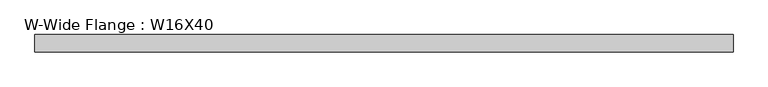
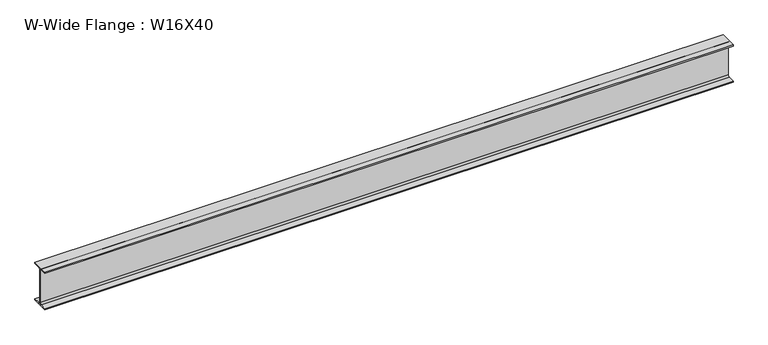
"""IFC4 building model written with IfcOpenShell, lengths in millimetres: beam geometry, W-Wide Flange : W16X40."""

import ifcopenshell
import ifcopenshell.guid

model = None  # the IFC model being written
_history = None  # IfcOwnerHistory: only IFC2X3 demands one
_inside = {}  # id of a spatial element -> (the spatial element, [elements in it])
_under = {}  # id of a project, library or spatial element -> (it, [spatial elements below it])
_declared = {}  # id of a project -> (the project, [libraries it declares])
_typed = {}  # id of a type object -> (the type object, [elements of that type])
_made_of = {}  # id of a material, layer set ... -> (it, [elements and type objects made of it])


def new_model(schema):
    """Start an empty IFC model of exactly this schema.

    Asked for "IFC4X3", IfcOpenShell would pick the latest addendum, in which some entities
    have other attributes; the version numbers below select the first issue.
    IFC2X3 requires an IfcOwnerHistory on every rooted entity: one is made here for all.
    """
    global model, _history
    if schema == "IFC4X3":
        model = ifcopenshell.file(schema_version=(4, 3, 0, 0))
    else:
        model = ifcopenshell.file(schema=schema)
    _inside.clear()
    _under.clear()
    _declared.clear()
    _typed.clear()
    _made_of.clear()
    _history = None
    if model.schema == "IFC2X3":
        org = make("IfcOrganization", Name="unknown")
        user = make(
            "IfcPersonAndOrganization",
            ThePerson=make("IfcPerson", FamilyName="unknown"),
            TheOrganization=org,
        )
        app = make(
            "IfcApplication",
            ApplicationDeveloper=org,
            Version="unknown",
            ApplicationFullName="unknown",
            ApplicationIdentifier="unknown",
        )
        _history = make(
            "IfcOwnerHistory",
            OwningUser=user,
            OwningApplication=app,
            ChangeAction="ADDED",
            CreationDate=0,
        )
    return model


def make(cls, **values):
    """One entity of the class cls with the attributes given. An attribute that is None is left unset."""
    return model.create_entity(
        cls, **{name: value for name, value in values.items() if value is not None}
    )


def rooted(cls, **values):
    """An entity with a GlobalId (a new one), such as an element, a storey or a relation."""
    return make(cls, GlobalId=ifcopenshell.guid.new(), OwnerHistory=_history, **values)


def si_unit(unit_type, name, prefix=None):
    """IfcSIUnit, for example si_unit("LENGTHUNIT", "METRE", prefix="MILLI")."""
    return make("IfcSIUnit", UnitType=unit_type, Prefix=prefix, Name=name)


def assignment(units):
    """IfcUnitAssignment: the units of a project."""
    return None if units is None else make("IfcUnitAssignment", Units=units)


def point(xyz):
    """IfcCartesianPoint."""
    return None if xyz is None else make("IfcCartesianPoint", Coordinates=xyz)


def direction(xyz):
    """IfcDirection."""
    return None if xyz is None else make("IfcDirection", DirectionRatios=xyz)


def frame(location, z_axis=None, x_axis=None):
    """IfcAxis2Placement3D, a coordinate frame: its origin and axes. An axis left out is left unset."""
    return make(
        "IfcAxis2Placement3D",
        Location=point(location),
        Axis=direction(z_axis),
        RefDirection=direction(x_axis),
    )


def frame_2d(location, x_axis=None):
    """IfcAxis2Placement2D, a coordinate frame in the plane: its origin and x axis."""
    return make(
        "IfcAxis2Placement2D", Location=point(location), RefDirection=direction(x_axis)
    )


def origin():
    """The frame at (0, 0, 0) with its axes left unset."""
    return frame((0.0, 0.0, 0.0))


def place(relative_to, where):
    """IfcLocalPlacement: puts the frame where relative to a parent placement (None: the world)."""
    return make(
        "IfcLocalPlacement", PlacementRelTo=relative_to, RelativePlacement=where
    )


def context(
    kind, dimensions, precision=None, world=None, true_north=None, identifier=None
):
    """IfcGeometricRepresentationContext, for example the 3D "Model" context."""
    return make(
        "IfcGeometricRepresentationContext",
        ContextIdentifier=identifier,
        ContextType=kind,
        CoordinateSpaceDimension=dimensions,
        Precision=precision,
        WorldCoordinateSystem=world,
        TrueNorth=true_north,
    )


def project(units=None, contexts=None):
    """IfcProject with its units and contexts."""
    return rooted(
        "IfcProject",
        Name="project",
        RepresentationContexts=contexts,
        UnitsInContext=assignment(units),
    )


def spatial(cls, under=None, at=None, **own):
    """A site, building, storey or space (cls), placed at a placement, below another one or the project."""
    s = rooted(cls, ObjectPlacement=at, **own)
    if under is not None:
        _under.setdefault(under.id(), (under, []))[1].append(s)
    return s


def polyline(points):
    """IfcPolyline through the points."""
    return make("IfcPolyline", Points=[point(p) for p in points])


def circle_curve(where, radius):
    """IfcCircle in the frame where."""
    return make("IfcCircle", Position=where, Radius=radius)


def trimmed(basis, trim1, trim2, sense, master):
    """IfcTrimmedCurve: the piece of a basis curve between two trims."""
    return make(
        "IfcTrimmedCurve",
        BasisCurve=basis,
        Trim1=trim1,
        Trim2=trim2,
        SenseAgreement=sense,
        MasterRepresentation=master,
    )


def segment(curve, same_sense, transition):
    """IfcCompositeCurveSegment."""
    return make(
        "IfcCompositeCurveSegment",
        Transition=transition,
        SameSense=same_sense,
        ParentCurve=curve,
    )


def composite_curve(segments, self_intersect=None):
    """IfcCompositeCurve: segments joined end to end."""
    return make("IfcCompositeCurve", Segments=segments, SelfIntersect=self_intersect)


def outline(outer, holes=None, kind="AREA"):
    """IfcArbitraryClosedProfileDef: a profile drawn as a closed curve; with holes, ...WithVoids."""
    if holes is None:
        return make("IfcArbitraryClosedProfileDef", ProfileType=kind, OuterCurve=outer)
    return make(
        "IfcArbitraryProfileDefWithVoids",
        ProfileType=kind,
        OuterCurve=outer,
        InnerCurves=holes,
    )


def extrude(swept, where, along, depth):
    """IfcExtrudedAreaSolid: the profile swept, set in the frame where, extruded along a direction by depth."""
    return make(
        "IfcExtrudedAreaSolid",
        SweptArea=swept,
        Position=where,
        ExtrudedDirection=direction(along),
        Depth=depth,
    )


def shape(context_of_items, identifier, shape_type, items):
    """IfcShapeRepresentation: the items that make up one representation, for example the "Body"."""
    return make(
        "IfcShapeRepresentation",
        ContextOfItems=context_of_items,
        RepresentationIdentifier=identifier,
        RepresentationType=shape_type,
        Items=items,
    )


def source(mapping_origin, context_of_items, identifier, shape_type, items):
    """IfcRepresentationMap: a shape defined once, which mapped items show again and again."""
    return make(
        "IfcRepresentationMap",
        MappingOrigin=mapping_origin,
        MappedRepresentation=shape(context_of_items, identifier, shape_type, items),
    )


def transform(
    local_origin,
    x_axis=None,
    y_axis=None,
    z_axis=None,
    scale=None,
    scale2=None,
    scale3=None,
    uniform=True,
):
    """IfcCartesianTransformationOperator3D, or its non-uniform kind. x_axis, y_axis, z_axis: its Axis1, 2, 3."""
    if uniform:
        return make(
            "IfcCartesianTransformationOperator3D",
            Axis1=direction(x_axis),
            Axis2=direction(y_axis),
            LocalOrigin=point(local_origin),
            Scale=scale,
            Axis3=direction(z_axis),
        )
    return make(
        "IfcCartesianTransformationOperator3DnonUniform",
        Axis1=direction(x_axis),
        Axis2=direction(y_axis),
        LocalOrigin=point(local_origin),
        Scale=scale,
        Axis3=direction(z_axis),
        Scale2=scale2,
        Scale3=scale3,
    )


def mapped(mapping_source, mapping_target):
    """IfcMappedItem: shows the shape of a source again, moved by a transform."""
    return make(
        "IfcMappedItem", MappingSource=mapping_source, MappingTarget=mapping_target
    )


def made_of(thing, what):
    """Note that an element or type object is made of a material, layer set ...; save() writes the relation."""
    if what is not None:
        _made_of.setdefault(what.id(), (what, []))[1].append(thing)
    return thing


def element(
    cls,
    number,
    at=None,
    inside=None,
    cuts=None,
    type_object=None,
    material=None,
    context=None,
    identifier="Body",
    shape_type=None,
    held_by="IfcProductDefinitionShape",
    body=None,
    shapes=None,
    **own,
):
    """One element of the class cls, such as IfcWall. Its Tag is "e" and its number.

    at: its placement. inside: the storey or other place that contains it. cuts: it is an
    opening in that element (IfcRelVoidsElement). A single representation is given by context,
    identifier, shape_type and body (its items); several are given by shapes. held_by: the class
    of the entity that holds the representations. save() writes the other relations.
    """
    e = rooted(cls, Tag="e%d" % number, ObjectPlacement=at, **own)
    if body is not None:
        shapes = [shape(context, identifier, shape_type, body)]
    if shapes is not None:
        e.Representation = make(held_by, Representations=shapes)
    if inside is not None:
        _inside.setdefault(inside.id(), (inside, []))[1].append(e)
    if cuts is not None:
        rooted(
            "IfcRelVoidsElement", RelatingBuildingElement=cuts, RelatedOpeningElement=e
        )
    if type_object is not None:
        _typed.setdefault(type_object.id(), (type_object, []))[1].append(e)
    return made_of(e, material)


def aggregate(whole, parts):
    """IfcRelAggregates: a whole, such as a stair, and the parts it consists of."""
    return rooted("IfcRelAggregates", RelatingObject=whole, RelatedObjects=parts)


def save(model, path):
    """Write the relations noted so far, then the file.

    IfcRelAggregates (storeys below a building ...), IfcRelContainedInSpatialStructure (elements
    in a storey), IfcRelDefinesByType, IfcRelAssociatesMaterial and IfcRelDeclares: one each for
    every whole, place, type object, material and project.
    """
    for whole, parts in _under.values():
        aggregate(whole, parts)
    for where, things in _inside.values():
        rooted(
            "IfcRelContainedInSpatialStructure",
            RelatedElements=things,
            RelatingStructure=where,
        )
    for kind, things in _typed.values():
        rooted("IfcRelDefinesByType", RelatedObjects=things, RelatingType=kind)
    for what, things in _made_of.values():
        rooted("IfcRelAssociatesMaterial", RelatedObjects=things, RelatingMaterial=what)
    for by, libraries in _declared.values():
        rooted("IfcRelDeclares", RelatingContext=by, RelatedDefinitions=libraries)
    model.write(path)


def w_wide_flange_w16x40_dc3c5003(model_context):
    return source(origin(), model_context, "Body", "SweptSolid", [
        extrude(outline(composite_curve([segment(polyline([(88.9, -190.4), (88.9, -203.2), (-88.9, -203.2), (-88.9, -190.4), (-21.25, -190.4)]), True, "CONTINUOUS"), segment(trimmed(circle_curve(frame_2d((-21.25, -173.0)), 17.4), [point((-21.25, -190.4))], [point((-3.85, -173.0))], True, "CARTESIAN"), True, "CONTINUOUS"), segment(polyline([(-3.85, -173.0), (-3.85, 173.0)]), True, "CONTINUOUS"), segment(trimmed(circle_curve(frame_2d((-21.25, 173.0)), 17.4), [point((-3.85, 173.0))], [point((-21.25, 190.4))], True, "CARTESIAN"), True, "CONTINUOUS"), segment(polyline([(-21.25, 190.4), (-88.9, 190.4), (-88.9, 203.2), (88.9, 203.2), (88.9, 190.4), (21.25, 190.4)]), True, "CONTINUOUS"), segment(trimmed(circle_curve(frame_2d((21.25, 173.0)), 17.4), [point((21.25, 190.4))], [point((3.85, 173.0))], True, "CARTESIAN"), True, "CONTINUOUS"), segment(polyline([(3.85, 173.0), (3.85, -173.0)]), True, "CONTINUOUS"), segment(trimmed(circle_curve(frame_2d((21.25, -173.0)), 17.4), [point((3.85, -173.0))], [point((21.25, -190.4))], True, "CARTESIAN"), True, "CONTINUOUS"), segment(polyline([(21.25, -190.4), (88.9, -190.4)]), True, "CONTINUOUS")], self_intersect=False)), frame((-1549.9296393, 0.0, 0.0), z_axis=(1.0, 0.0, 0.0), x_axis=(0.0, 1.0, 0.0)), (0.0, 0.0, 1.0), 7063.6905716),
    ])


if __name__ == "__main__":
    model = new_model("IFC4")
    model_context = context("Model", 3, world=origin())
    ifc_project = project(units=[si_unit("LENGTHUNIT", "METRE", prefix="MILLI")], contexts=[model_context])
    site = spatial("IfcSite", under=ifc_project)
    building = spatial("IfcBuilding", under=site)
    placement = place(None, origin())
    w_wide_flange_w16x40_shape = w_wide_flange_w16x40_dc3c5003(model_context)
    element("IfcBeam", 1, ObjectType="W-Wide Flange : W16X40", at=placement, inside=building, context=model_context, shape_type="MappedRepresentation", body=[
        mapped(w_wide_flange_w16x40_shape, transform((0.0, 0.0, 0.0), x_axis=(1.0, 0.0, 0.0), y_axis=(0.0, 1.0, 0.0), z_axis=(0.0, 0.0, 1.0))),
    ])
    save(model, "model.ifc")
